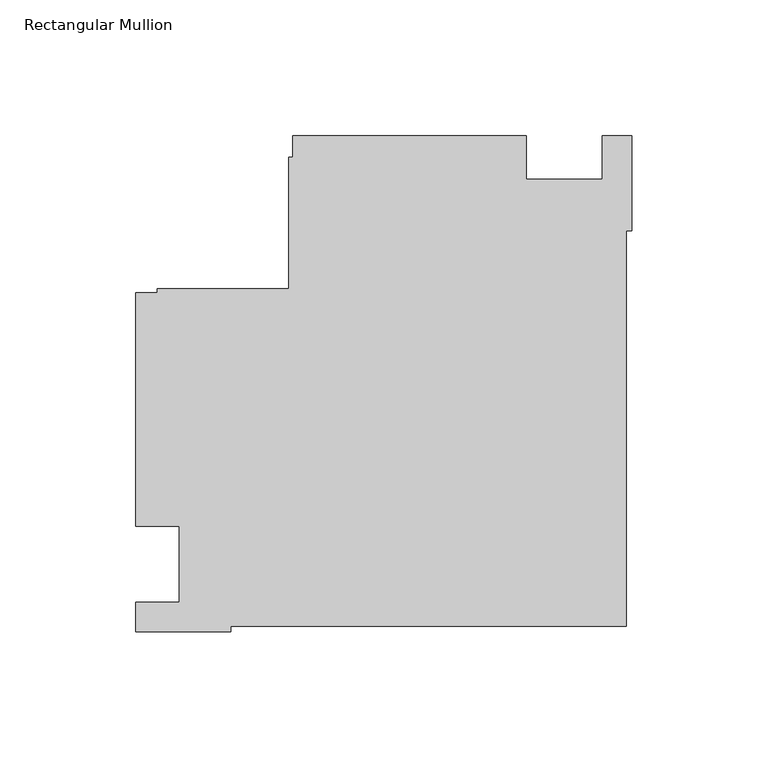
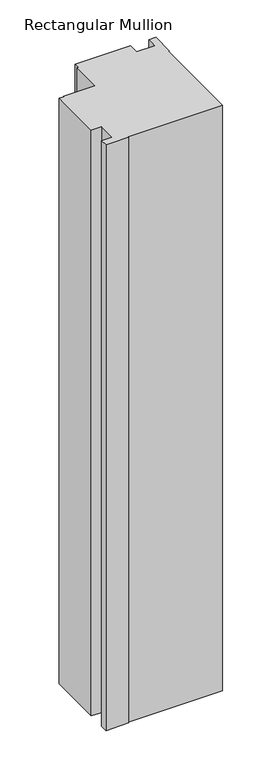
"""IFC4 building model written with IfcOpenShell, lengths in millimetres: member geometry, Rectangular Mullion."""

from ifc_helpers import new_model, si_unit, frame, origin, place, context, project, spatial, polyline, outline, extrude, source, transform, mapped, element, save


def rectangular_mullion_4bd44e28(model_context):
    return source(origin(), model_context, "Body", "SweptSolid", [
        extrude(outline(polyline([(-182.9999976, 14.0008907), (-182.9999976, 100.0010025), (-175.0, 100.0010025), (-175.0, 101.6000025), (-126.6, 101.6000025), (-126.6, 150.0000025), (-125.0, 150.0000025), (-125.0, 158.0000001), (-38.9998882, 158.0000001), (-38.9998882, 142.0010001), (-10.9999975, 142.0010001), (-10.9999975, 158.0000001), (0.0, 158.0000001), (0.0, 122.9999738), (-2.0852141, 122.9999738), (-2.0852141, -22.9137834), (-147.9999713, -22.9137834), (-147.9999713, -24.9989975), (-183.0085199, -24.9989975), (-183.0085199, -14.0027335), (-166.9999976, -14.0027335), (-166.9999976, 14.0008907), (-182.9999976, 14.0008907)])), frame((0.0, 0.0, -953.6595328), z_axis=(0.0, 0.0, 1.0), x_axis=(1.0, 0.0, 0.0)), (0.0, 0.0, 1.0), 953.6595328),
    ])


if __name__ == "__main__":
    model = new_model("IFC4")
    model_context = context("Model", 3, world=origin())
    ifc_project = project(units=[si_unit("LENGTHUNIT", "METRE", prefix="MILLI")], contexts=[model_context])
    site = spatial("IfcSite", under=ifc_project)
    building = spatial("IfcBuilding", under=site)
    placement = place(None, origin())
    rectangular_mullion_shape = rectangular_mullion_4bd44e28(model_context)
    element("IfcMember", 1, ObjectType="Rectangular Mullion", at=placement, inside=building, context=model_context, shape_type="MappedRepresentation", body=[
        mapped(rectangular_mullion_shape, transform((0.0, 0.0, 0.0), x_axis=(1.0, 0.0, 0.0), y_axis=(0.0, 1.0, 0.0), z_axis=(0.0, 0.0, 1.0))),
    ])
    save(model, "model.ifc")
